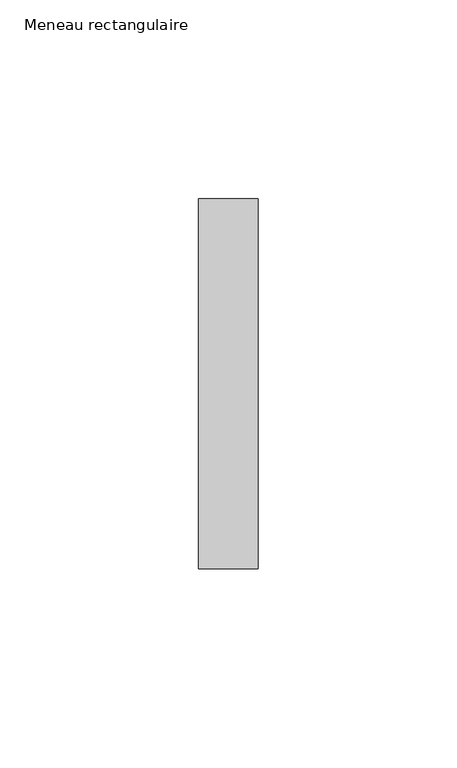
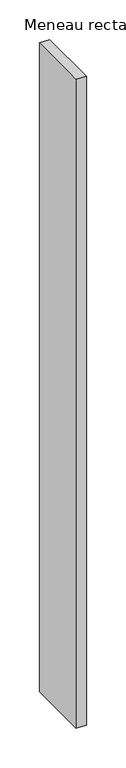
"""IFC4 building model written with IfcOpenShell, lengths in millimetres: member geometry, Meneau rectangulaire."""

from ifc_helpers import new_model, si_unit, frame, origin, place, context, project, spatial, polyline, outline, extrude, source, transform, mapped, element, save


def meneau_rectangulaire_d3c2332a(model_context):
    return source(origin(), model_context, "Body", "SweptSolid", [
        extrude(outline(polyline([(0.0, 46.5), (0.0, -46.5), (-15.0, -46.5), (-15.0, 46.5), (0.0, 46.5)])), frame((0.0, 0.0, -1001.5497353), z_axis=(0.0, 0.0, 1.0), x_axis=(1.0, 0.0, 0.0)), (0.0, 0.0, 1.0), 1001.5497353),
    ])


if __name__ == "__main__":
    model = new_model("IFC4")
    model_context = context("Model", 3, world=origin())
    ifc_project = project(units=[si_unit("LENGTHUNIT", "METRE", prefix="MILLI")], contexts=[model_context])
    site = spatial("IfcSite", under=ifc_project)
    building = spatial("IfcBuilding", under=site)
    placement = place(None, origin())
    meneau_rectangulaire_shape = meneau_rectangulaire_d3c2332a(model_context)
    element("IfcMember", 1, ObjectType="Meneau rectangulaire", at=placement, inside=building, context=model_context, shape_type="MappedRepresentation", body=[
        mapped(meneau_rectangulaire_shape, transform((0.0, 0.0, 0.0), x_axis=(1.0, 0.0, 0.0), y_axis=(0.0, 1.0, 0.0), z_axis=(0.0, 0.0, 1.0))),
    ])
    save(model, "model.ifc")
